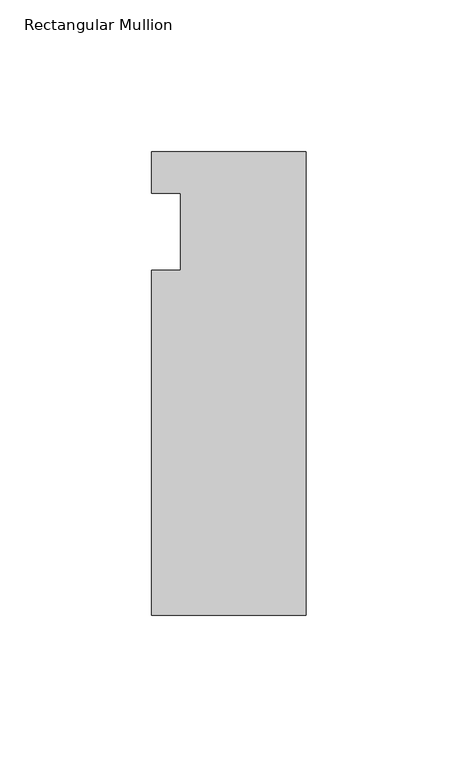
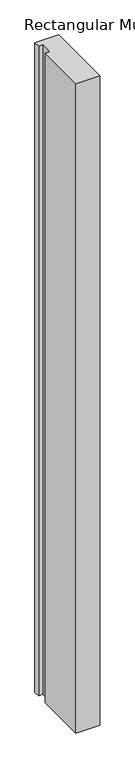
"""IFC4 building model written with IfcOpenShell, lengths in millimetres: member geometry, Rectangular Mullion."""

from ifc_helpers import new_model, si_unit, frame, origin, place, context, project, spatial, polyline, outline, extrude, source, transform, mapped, element, save


def rectangular_mullion_afca6e6b(model_context):
    return source(origin(), model_context, "Body", "SweptSolid", [
        extrude(outline(polyline([(0.0, 26.19375), (0.0, -126.20625), (-50.8, -126.20625), (-50.8, -12.7), (-41.275, -12.7), (-41.275, 12.7), (-50.8, 12.7), (-50.8, 26.19375), (0.0, 26.19375)])), frame((0.0, 0.0, -1473.2), z_axis=(0.0, 0.0, 1.0), x_axis=(1.0, 0.0, 0.0)), (0.0, 0.0, 1.0), 1473.2),
    ])


if __name__ == "__main__":
    model = new_model("IFC4")
    model_context = context("Model", 3, world=origin())
    ifc_project = project(units=[si_unit("LENGTHUNIT", "METRE", prefix="MILLI")], contexts=[model_context])
    site = spatial("IfcSite", under=ifc_project)
    building = spatial("IfcBuilding", under=site)
    placement = place(None, origin())
    rectangular_mullion_shape = rectangular_mullion_afca6e6b(model_context)
    element("IfcMember", 1, ObjectType="Rectangular Mullion", at=placement, inside=building, context=model_context, shape_type="MappedRepresentation", body=[
        mapped(rectangular_mullion_shape, transform((0.0, 0.0, 0.0), x_axis=(1.0, 0.0, 0.0), y_axis=(0.0, 1.0, 0.0), z_axis=(0.0, 0.0, 1.0))),
    ])
    save(model, "model.ifc")
